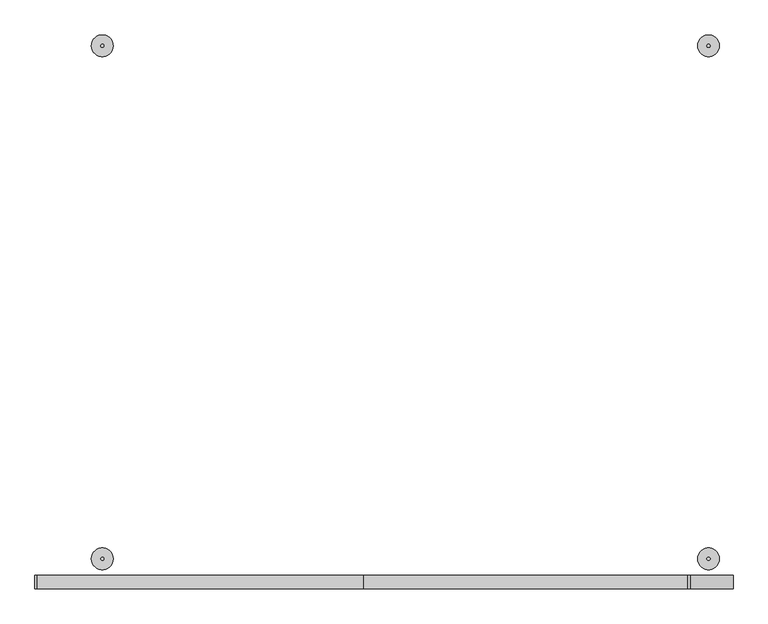
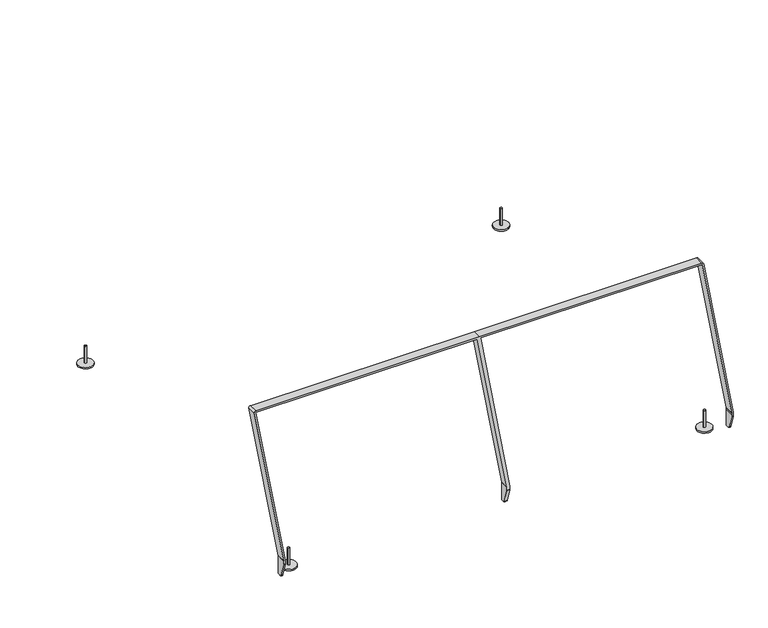
"""IFC4 building model written with IfcOpenShell, lengths in millimetres: furniture geometry."""

from ifc_helpers import new_model, si_unit, point, frame, frame_2d, origin, origin_with_axes, place, context, project, spatial, polyline, circle_curve, trimmed, segment, composite_curve, outline, extrude, source, transform, mapped, element, save
from ifc_brep_helpers import plane_surface, cylinder_surface, revolved_surface, advanced_brep


def furniture_a25ddc86(model_context):
    return source(origin(), model_context, "Body", "SolidModel", [
        advanced_brep(
        [(-1191.8516588, -1050.0129851, 125.3875338), (-1191.9578235, -1050.0129851, 126.6010018), (-1348.8000739, -1050.0129851, 1016.0976054), (-1347.7911451, -1050.0129851, 1017.3), (-166.0914842, -1050.0129851, 1017.3), (-165.1143401, -1050.0129851, 1016.4800787), (-7.9248581, -1050.0129851, 125.0142275), (-7.8518346, -1050.0129851, 124.1795652), (-7.8518346, -1050.0129851, 115.3), (-7.8518346, -1050.0129851, 106.8261092), (8.0001759, -1050.0129851, 106.8261092), (8.0001759, -1050.0129851, 115.3), (8.0001759, -1050.0129851, 125.3875338), (7.8940112, -1050.0129851, 126.6010018), (-148.9482393, -1050.0129851, 1016.0976054), (-147.9393104, -1050.0129851, 1017.3), (1033.7603504, -1050.0129851, 1017.3), (1034.7374946, -1050.0129851, 1016.4800787), (1191.9269765, -1050.0129851, 125.0142275), (1192.0, -1050.0129851, 124.1795652), (1192.0, -1050.0129851, 115.3), (1192.0, -1050.0129851, 106.8261092), (1199.9999759, -1050.0129851, 106.8261092), (1199.9999759, -1050.0129851, 115.3), (1199.9999759, -1050.0129851, 124.3346382), (1199.8323188, -1050.0129851, 126.2509671), (1042.6119239, -1050.0129851, 1017.8921345), (1033.7835736, -1050.0129851, 1025.3), (-154.6024832, -1050.0129851, 1025.3), (-1347.8411199, -1050.0129851, 1025.3), (-1356.687214, -1050.0129851, 1014.7576355), (-1200.0702365, -1050.0129851, 126.5386183), (-1199.9998, -1050.0129851, 125.7335261), (-1199.9998, -1050.0129851, 115.3), (-1199.9998, -1050.0129851, 106.8261092), (-1191.8516588, -1050.0129851, 106.8261092), (-1191.8516588, -1050.0129851, 115.3), (-1199.9998, -1000.0129851, 25.3), (-1199.9998, -1000.0129851, 125.7335261), (-1200.0702365, -1000.0129851, 126.5386183), (-1356.687214, -1000.0129851, 1014.7576355), (-1347.8411199, -1000.0129851, 1025.3), (-154.6024832, -1000.0129851, 1025.3), (1033.7835736, -1000.0129851, 1025.3), (1042.6119239, -1000.0129851, 1017.8921345), (1199.8323188, -1000.0129851, 126.2509671), (1199.9999759, -1000.0129851, 124.3346382), (1199.9999759, -1000.0129851, 115.3), (1199.9999759, -1000.0129851, 25.3), (1192.0, -1000.0129851, 25.3), (1192.0, -1000.0129851, 115.3), (1192.0, -1000.0129851, 124.1795652), (1191.9269765, -1000.0129851, 125.0142275), (1034.7374946, -1000.0129851, 1016.4800787), (1033.7603504, -1000.0129851, 1017.3), (-147.9393104, -1000.0129851, 1017.3), (-148.9482393, -1000.0129851, 1016.0976054), (7.8940112, -1000.0129851, 126.6010018), (8.0001759, -1000.0129851, 125.3875338), (8.0001759, -1000.0129851, 115.3), (8.0001759, -1000.0129851, 25.3), (0.0, -1000.0129851, 25.3), (-7.8518346, -1000.0129851, 25.3), (-7.8518346, -1000.0129851, 124.1795652), (-7.9248581, -1000.0129851, 125.0142275), (-165.1143401, -1000.0129851, 1016.4800787), (-166.0914842, -1000.0129851, 1017.3), (-1347.7911451, -1000.0129851, 1017.3), (-1348.8000739, -1000.0129851, 1016.0976054), (-1191.9578235, -1000.0129851, 126.6010018), (-1191.8516588, -1000.0129851, 125.3875338), (-1191.8516588, -1000.0129851, 25.3), (-1191.8516588, -1008.0129851, 25.3), (-1191.8516588, -1019.1314577, 25.3), (-1199.9998, -1019.1314577, 25.3), (-1199.9998, -1008.0129851, 25.3), (-1191.8516588, -1049.5577848, 103.8433593), (-1191.8516588, -1026.7672976, 30.9138001), (-7.8518346, -1008.0129851, 25.3), (-7.8518346, -1019.1314577, 25.3), (-7.8518346, -1026.7672976, 30.9138001), (-7.8518346, -1049.5577848, 103.8433593), (0.0, -1008.0129851, 25.3), (0.0, -1019.1314577, 25.3), (-1199.9998, -1026.7672976, 30.9138001), (-1199.9998, -1049.5577848, 103.8433593), (8.0001759, -1026.7672976, 30.9138001), (8.0001759, -1049.5577848, 103.8433593), (1192.0, -1026.7672976, 30.9138001), (1199.9999759, -1026.7672976, 30.9138001), (1199.9999759, -1049.5577848, 103.8433593), (1192.0, -1049.5577848, 103.8433593), (8.0001759, -1019.1314577, 25.3), (1192.0, -1019.1314577, 25.3), (1199.9999759, -1019.1314577, 25.3), (8.0001759, -1008.0129851, 25.3), (1192.0, -1008.0129851, 25.3), (1199.9999759, -1008.0129851, 25.3)],
        [
            (0, 1, circle_curve(frame((-1198.8397427, -1050.0129851, 125.3875338), z_axis=(0.0, -1.0, 0.0), x_axis=(1.0, 0.0, 0.0)), 6.9880839)),
            (1, 2),
            (2, 3, circle_curve(frame((-1347.7911451, -1050.0129851, 1016.2755068), z_axis=(0.0, 1.0, 0.0), x_axis=(1.0, 0.0, 0.0)), 1.0244932)),
            (3, 4),
            (4, 5, circle_curve(frame((-166.0914842, -1050.0129851, 1016.3077818), z_axis=(0.0, 1.0, 0.0), x_axis=(1.0, 0.0, 0.0)), 0.9922182)),
            (5, 6),
            (6, 7, circle_curve(frame((-12.6584634, -1050.0129851, 124.1795652), z_axis=(0.0, 1.0, 0.0), x_axis=(1.0, 0.0, 0.0)), 4.8066287)),
            (7, 8),
            (8, 9),
            (9, 10),
            (10, 11),
            (11, 12),
            (12, 13, circle_curve(frame((1.012092, -1050.0129851, 125.3875338), z_axis=(0.0, -1.0, 0.0), x_axis=(1.0, 0.0, 0.0)), 6.9880839)),
            (13, 14),
            (14, 15, circle_curve(frame((-147.9393104, -1050.0129851, 1016.2755068), z_axis=(0.0, 1.0, 0.0), x_axis=(1.0, 0.0, 0.0)), 1.0244932)),
            (15, 16),
            (16, 17, circle_curve(frame((1033.7603504, -1050.0129851, 1016.3077818), z_axis=(0.0, 1.0, 0.0), x_axis=(1.0, 0.0, 0.0)), 0.9922182)),
            (17, 18),
            (18, 19, circle_curve(frame((1187.1933713, -1050.0129851, 124.1795652), z_axis=(0.0, 1.0, 0.0), x_axis=(1.0, 0.0, 0.0)), 4.8066287)),
            (19, 20),
            (20, 21),
            (21, 22),
            (22, 23),
            (23, 24),
            (24, 25, circle_curve(frame((1188.9642775, -1050.0129851, 124.3346382), z_axis=(0.0, -1.0, 0.0), x_axis=(1.0, 0.0, 0.0)), 11.0356984)),
            (25, 26),
            (26, 27, circle_curve(frame((1033.7835736, -1050.0129851, 1016.3354582), z_axis=(0.0, -1.0, 0.0), x_axis=(1.0, 0.0, 0.0)), 8.9645418)),
            (27, 28),
            (28, 29),
            (29, 30, circle_curve(frame((-1347.8411199, -1050.0129851, 1016.3174406), z_axis=(0.0, -1.0, 0.0), x_axis=(1.0, 0.0, 0.0)), 8.9825594)),
            (30, 31),
            (31, 32, circle_curve(frame((-1204.6361413, -1050.0129851, 125.7335261), z_axis=(0.0, 1.0, 0.0), x_axis=(1.0, 0.0, 0.0)), 4.6363412)),
            (32, 33),
            (33, 34),
            (34, 35),
            (35, 36),
            (36, 0),
            (37, 38),
            (38, 39, circle_curve(frame((-1204.6361413, -1000.0129851, 125.7335261), z_axis=(0.0, -1.0, 0.0), x_axis=(1.0, 0.0, 0.0)), 4.6363412)),
            (39, 40),
            (40, 41, circle_curve(frame((-1347.8411199, -1000.0129851, 1016.3174406), z_axis=(0.0, 1.0, 0.0), x_axis=(1.0, 0.0, 0.0)), 8.9825594)),
            (41, 42),
            (42, 43),
            (43, 44, circle_curve(frame((1033.7835736, -1000.0129851, 1016.3354582), z_axis=(0.0, 1.0, 0.0), x_axis=(1.0, 0.0, 0.0)), 8.9645418)),
            (44, 45),
            (45, 46, circle_curve(frame((1188.9642775, -1000.0129851, 124.3346382), z_axis=(0.0, 1.0, 0.0), x_axis=(1.0, 0.0, 0.0)), 11.0356984)),
            (46, 47),
            (47, 48),
            (48, 49),
            (49, 50),
            (50, 51),
            (51, 52, circle_curve(frame((1187.1933713, -1000.0129851, 124.1795652), z_axis=(0.0, -1.0, 0.0), x_axis=(1.0, 0.0, 0.0)), 4.8066287)),
            (52, 53),
            (53, 54, circle_curve(frame((1033.7603504, -1000.0129851, 1016.3077818), z_axis=(0.0, -1.0, 0.0), x_axis=(1.0, 0.0, 0.0)), 0.9922182)),
            (54, 55),
            (55, 56, circle_curve(frame((-147.9393104, -1000.0129851, 1016.2755068), z_axis=(0.0, -1.0, 0.0), x_axis=(1.0, 0.0, 0.0)), 1.0244932)),
            (56, 57),
            (57, 58, circle_curve(frame((1.012092, -1000.0129851, 125.3875338), z_axis=(0.0, 1.0, 0.0), x_axis=(1.0, 0.0, 0.0)), 6.9880839)),
            (58, 59),
            (59, 60),
            (60, 61),
            (61, 62),
            (62, 63),
            (63, 64, circle_curve(frame((-12.6584634, -1000.0129851, 124.1795652), z_axis=(0.0, -1.0, 0.0), x_axis=(1.0, 0.0, 0.0)), 4.8066287)),
            (64, 65),
            (65, 66, circle_curve(frame((-166.0914842, -1000.0129851, 1016.3077818), z_axis=(0.0, -1.0, 0.0), x_axis=(1.0, 0.0, 0.0)), 0.9922182)),
            (66, 67),
            (67, 68, circle_curve(frame((-1347.7911451, -1000.0129851, 1016.2755068), z_axis=(0.0, -1.0, 0.0), x_axis=(1.0, 0.0, 0.0)), 1.0244932)),
            (68, 69),
            (69, 70, circle_curve(frame((-1198.8397427, -1000.0129851, 125.3875338), z_axis=(0.0, 1.0, 0.0), x_axis=(1.0, 0.0, 0.0)), 6.9880839)),
            (70, 71),
            (71, 37),
            (71, 72),
            (72, 73),
            (73, 74),
            (74, 75),
            (75, 37),
            (70, 0),
            (35, 76, circle_curve(frame((-1191.8516588, -1040.0129851, 106.8261092), z_axis=(1.0, 0.0, 0.0), x_axis=(0.0, -1.0, 0.0)), 10.0)),
            (76, 77),
            (77, 73, circle_curve(frame((-1191.8516588, -1019.1314577, 33.3), z_axis=(1.0, 0.0, 0.0), x_axis=(0.0, -1.0, 0.0)), 8.0)),
            (69, 1),
            (68, 2),
            (67, 3),
            (66, 4),
            (65, 5),
            (64, 6),
            (63, 7),
            (62, 78),
            (78, 79),
            (79, 80, circle_curve(frame((-7.8518346, -1019.1314577, 33.3), z_axis=(-1.0, 0.0, 0.0), x_axis=(0.0, -1.0, 0.0)), 8.0)),
            (80, 81),
            (81, 9, circle_curve(frame((-7.8518346, -1040.0129851, 106.8261092), z_axis=(-1.0, 0.0, 0.0), x_axis=(0.0, -1.0, 0.0)), 10.0)),
            (61, 82),
            (82, 83),
            (83, 79),
            (28, 42),
            (41, 29),
            (40, 30),
            (39, 31),
            (38, 32),
            (74, 84, circle_curve(frame((-1199.9998, -1019.1314577, 33.3), z_axis=(-1.0, 0.0, 0.0), x_axis=(0.0, -1.0, 0.0)), 8.0)),
            (84, 85),
            (85, 34, circle_curve(frame((-1199.9998, -1040.0129851, 106.8261092), z_axis=(-1.0, 0.0, 0.0), x_axis=(0.0, -1.0, 0.0)), 10.0)),
            (80, 86),
            (86, 87),
            (87, 81),
            (84, 77),
            (76, 85),
            (88, 89),
            (89, 90),
            (90, 91),
            (91, 88),
            (87, 10, circle_curve(frame((8.0001759, -1040.0129851, 106.8261092), z_axis=(-1.0, 0.0, 0.0), x_axis=(0.0, -1.0, 0.0)), 10.0)),
            (90, 22, circle_curve(frame((1199.9999759, -1040.0129851, 106.8261092), z_axis=(-1.0, 0.0, 0.0), x_axis=(0.0, -1.0, 0.0)), 10.0)),
            (21, 91, circle_curve(frame((1192.0, -1040.0129851, 106.8261092), z_axis=(1.0, 0.0, 0.0), x_axis=(0.0, -1.0, 0.0)), 10.0)),
            (83, 92),
            (92, 86, circle_curve(frame((8.0001759, -1019.1314577, 33.3), z_axis=(-1.0, 0.0, 0.0), x_axis=(0.0, -1.0, 0.0)), 8.0)),
            (88, 93, circle_curve(frame((1192.0, -1019.1314577, 33.3), z_axis=(1.0, 0.0, 0.0), x_axis=(0.0, -1.0, 0.0)), 8.0)),
            (93, 94),
            (94, 89, circle_curve(frame((1199.9999759, -1019.1314577, 33.3), z_axis=(-1.0, 0.0, 0.0), x_axis=(0.0, -1.0, 0.0)), 8.0)),
            (60, 95),
            (95, 92),
            (59, 11),
            (58, 12),
            (57, 13),
            (56, 14),
            (55, 15),
            (54, 16),
            (53, 17),
            (52, 18),
            (51, 19),
            (50, 20),
            (49, 96),
            (96, 93),
            (48, 97),
            (97, 94),
            (47, 23),
            (46, 24),
            (45, 25),
            (44, 26),
            (43, 27),
        ],
        [
            plane_surface(frame((-1199.8518346, -1050.0129851, 25.3), z_axis=(0.0, -1.0, 0.0), x_axis=(1.0, 0.0, 0.0))),
            plane_surface(frame((-1199.8518346, -1000.0129851, 25.3), z_axis=(0.0, 1.0, 0.0), x_axis=(-1.0, 0.0, 0.0))),
            plane_surface(frame((-1199.9998, -1050.0129851, 25.3), z_axis=(0.0, 0.0, -1.0), x_axis=(0.0, 1.0, 0.0))),
            plane_surface(frame((-1191.8516588, -1050.0129851, 25.3), z_axis=(1.0, 0.0, 0.0), x_axis=(0.0, 1.0, 0.0))),
            cylinder_surface(frame((-1198.8397427, -1000.0129851, 125.3875338), z_axis=(0.0, -1.0, 0.0), x_axis=(1.0, 0.0, 0.0)), 6.9880839),
            plane_surface(frame((-1191.9578235, -1050.0129851, 126.6010018), z_axis=(0.9848077530122125, 0.0, 0.1736481776669056), x_axis=(0.0, 1.0, 0.0))),
            revolved_surface(polyline([(-1346.7666519, -1000.0129851, 1016.2755068), (-1346.7666519, -1050.0129851, 1016.2755068)]), (-1347.7911451, -1000.0129851, 1016.2755068), (0.0, 1.0, 0.0)),
            plane_surface(frame((-1347.7911451, -1050.0129851, 1017.3), z_axis=(0.0, 0.0, -1.0), x_axis=(0.0, 1.0, 0.0))),
            revolved_surface(polyline([(-165.099266, -1000.0129851, 1016.3077818), (-165.099266, -1050.0129851, 1016.3077818)]), (-166.0914842, -1000.0129851, 1016.3077818), (0.0, 1.0, 0.0)),
            plane_surface(frame((-165.1143401, -1050.0129851, 1016.4800787), z_axis=(-0.9848077530122075, 0.0, -0.17364817766693413), x_axis=(0.0, 1.0, 0.0))),
            revolved_surface(polyline([(-7.8518347, -1000.0129851, 124.1795652), (-7.8518347, -1050.0129851, 124.1795652)]), (-12.6584634, -1000.0129851, 124.1795652), (0.0, 1.0, 0.0)),
            plane_surface(frame((-7.8518346, -1050.0129851, 124.1795652), z_axis=(-1.0, 0.0, 0.0), x_axis=(0.0, 1.0, 0.0))),
            plane_surface(frame((-7.8518346, -1050.0129851, 25.3), z_axis=(0.0, 0.0, -1.0), x_axis=(0.0, 1.0, 0.0))),
            plane_surface(frame((-154.6024832, -1050.0129851, 1025.3), z_axis=(0.0, 0.0, 1.0), x_axis=(0.0, 1.0, 0.0))),
            cylinder_surface(frame((-1347.8411199, -1000.0129851, 1016.3174406), z_axis=(0.0, -1.0, 0.0), x_axis=(1.0, 0.0, 0.0)), 8.9825594),
            plane_surface(frame((-1356.687214, -1050.0129851, 1014.7576355), z_axis=(-0.9848077530122125, 0.0, -0.17364817766690574), x_axis=(0.0, 1.0, 0.0))),
            revolved_surface(polyline([(-1199.9998001, -1000.0129851, 125.7335261), (-1199.9998001, -1050.0129851, 125.7335261)]), (-1204.6361413, -1000.0129851, 125.7335261), (0.0, 1.0, 0.0)),
            plane_surface(frame((-1199.9998, -1050.0129851, 125.7335261), z_axis=(-1.0, 0.0, 0.0), x_axis=(0.0, 1.0, 0.0))),
            plane_surface(frame((1381.8729271, -1026.7672976, 30.9138001), z_axis=(0.0, -0.9544799780350454, -0.298274993135897), x_axis=(-1.0, 0.0, 0.0))),
            cylinder_surface(frame((-1263.985035, -1040.0129851, 106.8261092), z_axis=(-1.0, 0.0, 0.0), x_axis=(0.0, -1.0, 0.0)), 10.0),
            cylinder_surface(frame((-1263.985035, -1019.1314577, 33.3), z_axis=(-1.0, 0.0, 0.0), x_axis=(0.0, -1.0, 0.0)), 8.0),
            plane_surface(frame((0.0, -1050.0129851, 25.3), z_axis=(0.0, 0.0, -1.0), x_axis=(0.0, 1.0, 0.0))),
            plane_surface(frame((8.0001759, -1050.0129851, 25.3), z_axis=(1.0, 0.0, 0.0), x_axis=(0.0, 1.0, 0.0))),
            plane_surface(frame((8.0001759, -1050.0129851, 115.3), z_axis=(1.0, 0.0, 0.0), x_axis=(0.0, 1.0, 0.0))),
            cylinder_surface(frame((1.012092, -1000.0129851, 125.3875338), z_axis=(0.0, -1.0, 0.0), x_axis=(1.0, 0.0, 0.0)), 6.9880839),
            plane_surface(frame((7.8940112, -1050.0129851, 126.6010018), z_axis=(0.9848077530122125, 0.0, 0.17364817766690568), x_axis=(0.0, 1.0, 0.0))),
            revolved_surface(polyline([(-146.91481720000002, -1000.0129851, 1016.2755068), (-146.91481720000002, -1050.0129851, 1016.2755068)]), (-147.9393104, -1000.0129851, 1016.2755068), (0.0, 1.0, 0.0)),
            plane_surface(frame((-147.9393104, -1050.0129851, 1017.3), z_axis=(0.0, 0.0, -1.0), x_axis=(0.0, 1.0, 0.0))),
            revolved_surface(polyline([(1034.7525686000001, -1000.0129851, 1016.3077818), (1034.7525686000001, -1050.0129851, 1016.3077818)]), (1033.7603504, -1000.0129851, 1016.3077818), (0.0, 1.0, 0.0)),
            plane_surface(frame((1034.7374946, -1050.0129851, 1016.4800787), z_axis=(-0.9848077530122075, 0.0, -0.1736481776669343), x_axis=(0.0, 1.0, 0.0))),
            revolved_surface(polyline([(1192.0, -1000.0129851, 124.1795652), (1192.0, -1050.0129851, 124.1795652)]), (1187.1933713, -1000.0129851, 124.1795652), (0.0, 1.0, 0.0)),
            plane_surface(frame((1192.0, -1050.0129851, 124.1795652), z_axis=(-1.0, 0.0, 0.0), x_axis=(0.0, 1.0, 0.0))),
            plane_surface(frame((1192.0, -1050.0129851, 115.3), z_axis=(-1.0, 0.0, 0.0), x_axis=(0.0, 1.0, 0.0))),
            plane_surface(frame((1192.0, -1050.0129851, 25.3), z_axis=(0.0, 0.0, -1.0), x_axis=(0.0, 1.0, 0.0))),
            plane_surface(frame((1199.9999759, -1050.0129851, 25.3), z_axis=(1.0, 0.0, 0.0), x_axis=(0.0, 1.0, 0.0))),
            plane_surface(frame((1199.9999759, -1050.0129851, 115.3), z_axis=(1.0, 0.0, 0.0), x_axis=(0.0, 1.0, 0.0))),
            cylinder_surface(frame((1188.9642775, -1000.0129851, 124.3346382), z_axis=(0.0, -1.0, 0.0), x_axis=(1.0, 0.0, 0.0)), 11.0356984),
            plane_surface(frame((1199.8323188, -1050.0129851, 126.2509671), z_axis=(0.9848077530122075, 0.0, 0.17364817766693416), x_axis=(0.0, 1.0, 0.0))),
            cylinder_surface(frame((1033.7835736, -1000.0129851, 1016.3354582), z_axis=(0.0, -1.0, 0.0), x_axis=(1.0, 0.0, 0.0)), 8.9645418),
            plane_surface(frame((1033.7835736, -1050.0129851, 1025.3), z_axis=(0.0, 0.0, 1.0), x_axis=(0.0, 1.0, 0.0))),
        ],
        [
            (0, [[1, 2, 3, 4, 5, 6, 7, 8, 9, 10, 11, 12, 13, 14, 15, 16, 17, 18, 19, 20, 21, 22, 23, 24, 25, 26, 27, 28, 29, 30, 31, 32, 33, 34, 35, 36, 37]]),
            (1, [[38, 39, 40, 41, 42, 43, 44, 45, 46, 47, 48, 49, 50, 51, 52, 53, 54, 55, 56, 57, 58, 59, 60, 61, 62, 63, 64, 65, 66, 67, 68, 69, 70, 71, 72]]),
            (2, [[-72, 73, 74, 75, 76, 77]]),
            (3, [[-71, 78, -37, -36, 79, 80, 81, -74, -73]]),
            (4, [[-1, -78, -70, 82]]),
            (5, [[-2, -82, -69, 83]]),
            (6, [[-3, -83, -68, 84]]),
            (7, [[-4, -84, -67, 85]]),
            (8, [[-5, -85, -66, 86]]),
            (9, [[-6, -86, -65, 87]]),
            (10, [[-7, -87, -64, 88]]),
            (11, [[-63, 89, 90, 91, 92, 93, -9, -8, -88]]),
            (12, [[-62, 94, 95, 96, -90, -89]]),
            (13, [[-29, 97, -42, 98]]),
            (14, [[-30, -98, -41, 99]]),
            (15, [[-31, -99, -40, 100]]),
            (16, [[-32, -100, -39, 101]]),
            (17, [[-38, -77, -76, 102, 103, 104, -34, -33, -101]]),
            (18, [[105, 106, 107, -92]]),
            (18, [[108, -80, 109, -103]]),
            (18, [[110, 111, 112, 113]]),
            (19, [[-107, 114, -10, -93]]),
            (19, [[-109, -79, -35, -104]]),
            (19, [[-112, 115, -22, 116]]),
            (20, [[-105, -91, -96, 117, 118]]),
            (20, [[-108, -102, -75, -81]]),
            (20, [[-110, 119, 120, 121]]),
            (21, [[-61, 122, 123, -117, -95, -94]]),
            (22, [[-60, 124, -11, -114, -106, -118, -123, -122]]),
            (23, [[-12, -124, -59, 125]]),
            (24, [[-13, -125, -58, 126]]),
            (25, [[-14, -126, -57, 127]]),
            (26, [[-15, -127, -56, 128]]),
            (27, [[-16, -128, -55, 129]]),
            (28, [[-17, -129, -54, 130]]),
            (29, [[-18, -130, -53, 131]]),
            (30, [[-19, -131, -52, 132]]),
            (31, [[-20, -132, -51, 133]]),
            (32, [[-50, 134, 135, -119, -113, -116, -21, -133]]),
            (33, [[-49, 136, 137, -120, -135, -134]]),
            (34, [[-48, 138, -23, -115, -111, -121, -137, -136]]),
            (35, [[-24, -138, -47, 139]]),
            (36, [[-25, -139, -46, 140]]),
            (37, [[-26, -140, -45, 141]]),
            (38, [[-27, -141, -44, 142]]),
            (39, [[-28, -142, -43, -97]]),
        ],
    ),
        extrude(outline(composite_curve([segment(trimmed(circle_curve(frame_2d((1109.9882666, 939.9870149)), 40.0), [point((1149.9882666, 939.9870149))], [point((1069.9882666, 939.9870149))], False, "CARTESIAN"), True, "CONTINUOUS"), segment(trimmed(circle_curve(frame_2d((1109.9882666, 939.9870149)), 40.0), [point((1069.9882666, 939.9870149))], [point((1149.9882666, 939.9870149))], False, "CARTESIAN"), True, "CONTINUOUS")], self_intersect=False)), origin_with_axes(), (0.0, 0.0, 1.0), 8.0),
        extrude(outline(composite_curve([segment(trimmed(circle_curve(frame_2d((1109.9882666, 939.9870149)), 5.8385242), [point((1115.8267908, 939.9870149))], [point((1104.1497425, 939.9870149))], False, "CARTESIAN"), True, "CONTINUOUS"), segment(trimmed(circle_curve(frame_2d((1109.9882666, 939.9870149)), 5.8385242), [point((1104.1497425, 939.9870149))], [point((1115.8267908, 939.9870149))], False, "CARTESIAN"), True, "CONTINUOUS")], self_intersect=False)), frame((0.0, 0.0, 8.0), z_axis=(0.0, 0.0, 1.0), x_axis=(1.0, 0.0, 0.0)), (0.0, 0.0, 1.0), 95.0),
        extrude(outline(composite_curve([segment(trimmed(circle_curve(frame_2d((1109.9882666, -939.9870149)), 40.0), [point((1149.9882666, -939.9870149))], [point((1069.9882666, -939.9870149))], False, "CARTESIAN"), True, "CONTINUOUS"), segment(trimmed(circle_curve(frame_2d((1109.9882666, -939.9870149)), 40.0), [point((1069.9882666, -939.9870149))], [point((1149.9882666, -939.9870149))], False, "CARTESIAN"), True, "CONTINUOUS")], self_intersect=False)), origin_with_axes(), (0.0, 0.0, 1.0), 8.0),
        extrude(outline(composite_curve([segment(trimmed(circle_curve(frame_2d((1109.9882666, -939.9870149)), 5.8385242), [point((1115.8267908, -939.9870149))], [point((1104.1497425, -939.9870149))], False, "CARTESIAN"), True, "CONTINUOUS"), segment(trimmed(circle_curve(frame_2d((1109.9882666, -939.9870149)), 5.8385242), [point((1104.1497425, -939.9870149))], [point((1115.8267908, -939.9870149))], False, "CARTESIAN"), True, "CONTINUOUS")], self_intersect=False)), frame((0.0, 0.0, 8.0), z_axis=(0.0, 0.0, 1.0), x_axis=(1.0, 0.0, 0.0)), (0.0, 0.0, 1.0), 95.0),
        extrude(outline(composite_curve([segment(trimmed(circle_curve(frame_2d((-1109.9882666, 939.9870149)), 40.0), [point((-1149.9882666, 939.9870149))], [point((-1069.9882666, 939.9870149))], False, "CARTESIAN"), True, "CONTINUOUS"), segment(trimmed(circle_curve(frame_2d((-1109.9882666, 939.9870149)), 40.0), [point((-1069.9882666, 939.9870149))], [point((-1149.9882666, 939.9870149))], False, "CARTESIAN"), True, "CONTINUOUS")], self_intersect=False)), origin_with_axes(), (0.0, 0.0, 1.0), 8.0),
        extrude(outline(composite_curve([segment(trimmed(circle_curve(frame_2d((-1109.9882666, 939.9870149)), 5.8385242), [point((-1115.8267908, 939.9870149))], [point((-1104.1497425, 939.9870149))], False, "CARTESIAN"), True, "CONTINUOUS"), segment(trimmed(circle_curve(frame_2d((-1109.9882666, 939.9870149)), 5.8385242), [point((-1104.1497425, 939.9870149))], [point((-1115.8267908, 939.9870149))], False, "CARTESIAN"), True, "CONTINUOUS")], self_intersect=False)), frame((0.0, 0.0, 8.0), z_axis=(0.0, 0.0, 1.0), x_axis=(1.0, 0.0, 0.0)), (0.0, 0.0, 1.0), 95.0),
        extrude(outline(composite_curve([segment(trimmed(circle_curve(frame_2d((-1109.9882666, -939.9870149)), 40.0), [point((-1149.9882666, -939.9870149))], [point((-1069.9882666, -939.9870149))], False, "CARTESIAN"), True, "CONTINUOUS"), segment(trimmed(circle_curve(frame_2d((-1109.9882666, -939.9870149)), 40.0), [point((-1069.9882666, -939.9870149))], [point((-1149.9882666, -939.9870149))], False, "CARTESIAN"), True, "CONTINUOUS")], self_intersect=False)), origin_with_axes(), (0.0, 0.0, 1.0), 8.0),
        extrude(outline(composite_curve([segment(trimmed(circle_curve(frame_2d((-1109.9882666, -939.9870149)), 5.8385242), [point((-1115.8267908, -939.9870149))], [point((-1104.1497425, -939.9870149))], False, "CARTESIAN"), True, "CONTINUOUS"), segment(trimmed(circle_curve(frame_2d((-1109.9882666, -939.9870149)), 5.8385242), [point((-1104.1497425, -939.9870149))], [point((-1115.8267908, -939.9870149))], False, "CARTESIAN"), True, "CONTINUOUS")], self_intersect=False)), frame((0.0, 0.0, 8.0), z_axis=(0.0, 0.0, 1.0), x_axis=(1.0, 0.0, 0.0)), (0.0, 0.0, 1.0), 95.0),
    ])


if __name__ == "__main__":
    model = new_model("IFC4")
    model_context = context("Model", 3, world=origin())
    ifc_project = project(units=[si_unit("LENGTHUNIT", "METRE", prefix="MILLI")], contexts=[model_context])
    site = spatial("IfcSite", under=ifc_project)
    building = spatial("IfcBuilding", under=site)
    placement = place(None, origin())
    furniture_shape = furniture_a25ddc86(model_context)
    element("IfcFurniture", 1, at=placement, inside=building, context=model_context, shape_type="MappedRepresentation", body=[
        mapped(furniture_shape, transform((0.0, 0.0, 0.0), x_axis=(1.0, 0.0, 0.0), y_axis=(0.0, 1.0, 0.0), z_axis=(0.0, 0.0, 1.0))),
    ])
    save(model, "model.ifc")
